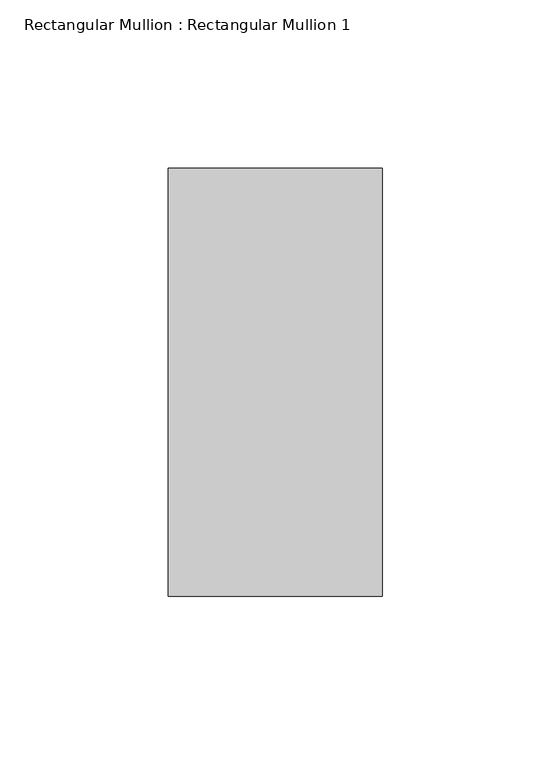
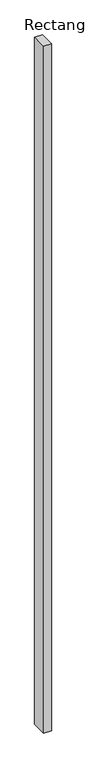
"""IFC4 building model written with IfcOpenShell, lengths in millimetres: member geometry, Rectangular Mullion : Rectangular Mullion 1."""

from ifc_helpers import new_model, si_unit, frame, origin, place, context, project, spatial, polyline, outline, extrude, source, transform, mapped, element, save


def rectangular_mullion_rectangular_mullion_1_ae686a56(model_context):
    return source(origin(), model_context, "Body", "SweptSolid", [
        extrude(outline(polyline([(31.75, 63.5), (31.75, -63.5), (-31.75, -63.5), (-31.75, 63.5), (31.75, 63.5)])), frame((0.0, 0.0, -5976.9375), z_axis=(0.0, 0.0, 1.0), x_axis=(1.0, 0.0, 0.0)), (0.0, 0.0, 1.0), 5976.9375),
    ])


if __name__ == "__main__":
    model = new_model("IFC4")
    model_context = context("Model", 3, world=origin())
    ifc_project = project(units=[si_unit("LENGTHUNIT", "METRE", prefix="MILLI")], contexts=[model_context])
    site = spatial("IfcSite", under=ifc_project)
    building = spatial("IfcBuilding", under=site)
    placement = place(None, origin())
    rectangular_mullion_rectangular_mullion_1_shape = rectangular_mullion_rectangular_mullion_1_ae686a56(model_context)
    element("IfcMember", 1, ObjectType="Rectangular Mullion : Rectangular Mullion 1", at=placement, inside=building, context=model_context, shape_type="MappedRepresentation", body=[
        mapped(rectangular_mullion_rectangular_mullion_1_shape, transform((0.0, 0.0, 0.0), x_axis=(1.0, 0.0, 0.0), y_axis=(0.0, 1.0, 0.0), z_axis=(0.0, 0.0, 1.0))),
    ])
    save(model, "model.ifc")
